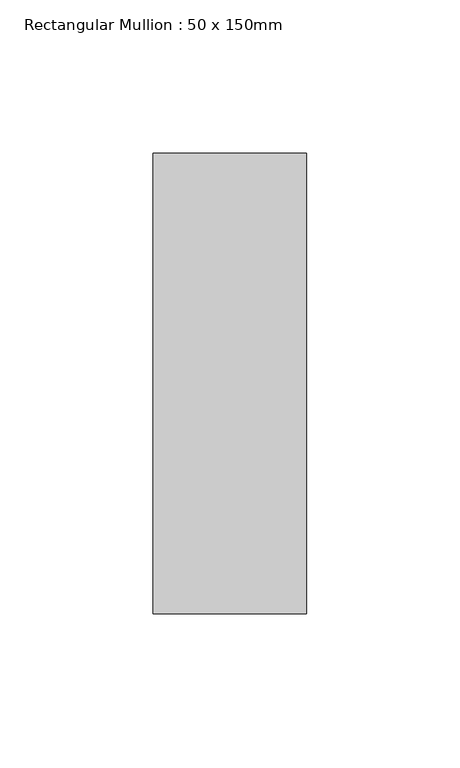
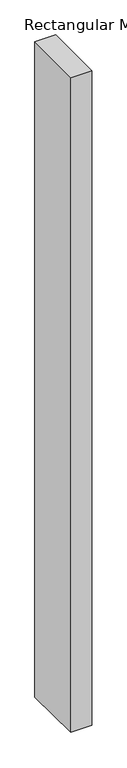
"""IFC4 building model written with IfcOpenShell, lengths in millimetres: member geometry, Rectangular Mullion : 50 x 150mm."""

from ifc_helpers import new_model, si_unit, frame, origin, place, context, project, spatial, polyline, outline, extrude, source, transform, mapped, element, save


def rectangular_mullion_50_x_150mm_0d0e5664(model_context):
    return source(origin(), model_context, "Body", "SweptSolid", [
        extrude(outline(polyline([(-75.0, 0.0), (75.0, 0.0), (75.0, -1669.3722554), (-75.0, -1667.2099936), (-75.0, 0.0)])), frame((-50.0, 0.0, 0.0), z_axis=(1.0, 0.0, 0.0), x_axis=(0.0, 1.0, 0.0)), (0.0, 0.0, 1.0), 50.0),
    ])


if __name__ == "__main__":
    model = new_model("IFC4")
    model_context = context("Model", 3, world=origin())
    ifc_project = project(units=[si_unit("LENGTHUNIT", "METRE", prefix="MILLI")], contexts=[model_context])
    site = spatial("IfcSite", under=ifc_project)
    building = spatial("IfcBuilding", under=site)
    placement = place(None, origin())
    rectangular_mullion_50_x_150mm_shape = rectangular_mullion_50_x_150mm_0d0e5664(model_context)
    element("IfcMember", 1, ObjectType="Rectangular Mullion : 50 x 150mm", at=placement, inside=building, context=model_context, shape_type="MappedRepresentation", body=[
        mapped(rectangular_mullion_50_x_150mm_shape, transform((0.0, 0.0, 0.0), x_axis=(1.0, 0.0, 0.0), y_axis=(0.0, 1.0, 0.0), z_axis=(0.0, 0.0, 1.0))),
    ])
    save(model, "model.ifc")
